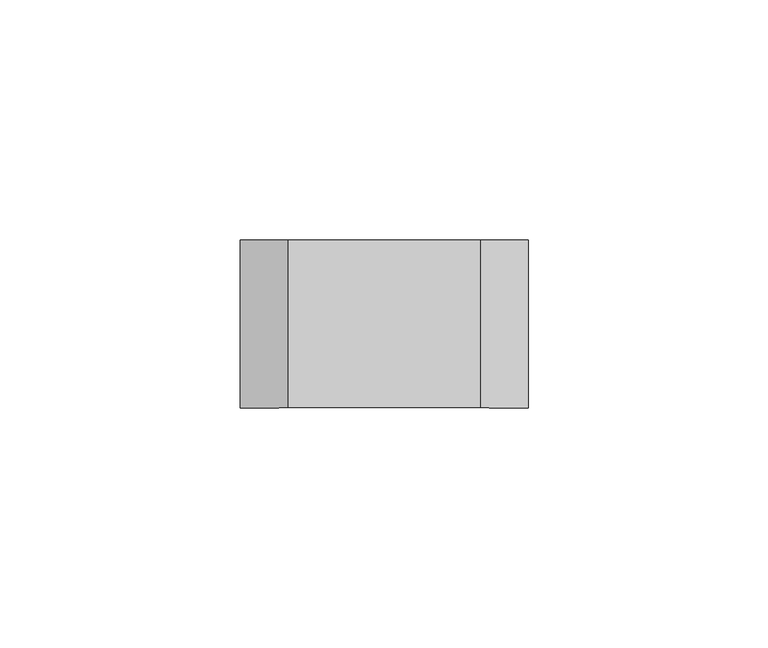
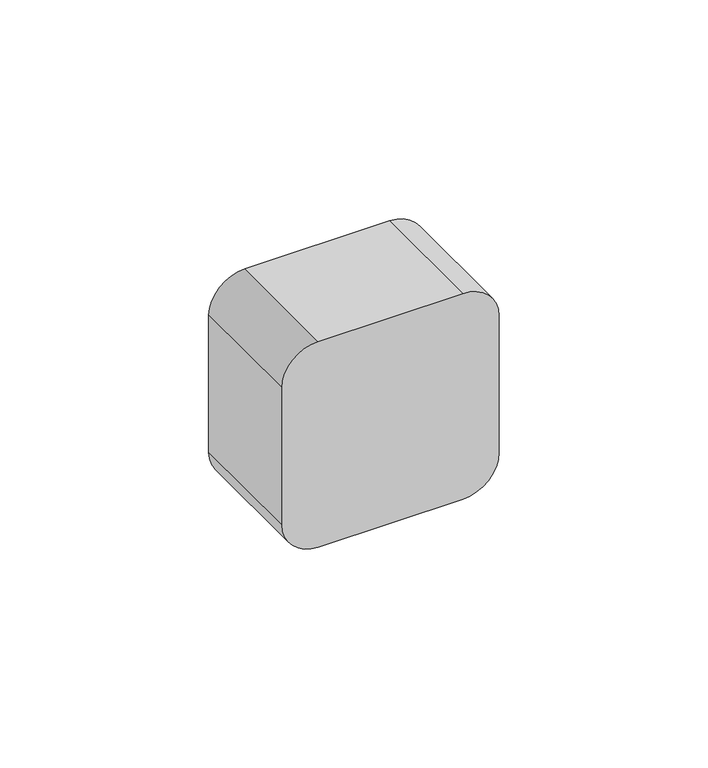
"""IFC4 building model written with IfcOpenShell, lengths in millimetres: proxy geometry."""

from ifc_helpers import new_model, si_unit, frame, origin, place, context, project, spatial, polyline, circle_curve, source, transform, mapped, element, save
from ifc_brep_helpers import plane_surface, cylinder_surface, revolved_surface, advanced_brep


def electrical_fixtures_3f245eab(model_context):
    return source(origin(), model_context, "Body", "AdvancedBrep", [
        advanced_brep(
        [(105.0, 35.0, 210.0), (145.0, 35.0, 210.0), (155.0, 35.0, 200.0), (155.0, 35.0, 160.0), (145.0, 35.0, 150.0), (105.0, 35.0, 150.0), (95.0, 35.0, 160.0), (95.0, 35.0, 200.0), (125.0, 35.0, 199.0), (125.0, 35.0, 161.0), (105.0, 0.0, 210.0), (95.0, 0.0, 200.0), (95.0, 0.0, 160.0), (105.0, 0.0, 150.0), (145.0, 0.0, 150.0), (155.0, 0.0, 160.0), (155.0, 0.0, 200.0), (145.0, 0.0, 210.0), (125.0, 23.0, 199.0), (125.0, 23.0, 161.0), (133.8542367, 23.0, 182.0), (133.8542367, 23.0, 178.0), (116.1457633, 23.0, 182.0), (116.1457633, 23.0, 178.0), (133.8542367, 15.0, 182.0), (133.8542367, 15.0, 178.0), (116.1457633, 15.0, 182.0), (116.1457633, 15.0, 178.0)],
        [
            (0, 1),
            (1, 2, circle_curve(frame((145.0, 35.0, 200.0), z_axis=(0.0, 1.0, 0.0), x_axis=(-1.0, 0.0, 0.0)), 10.0)),
            (2, 3),
            (3, 4, circle_curve(frame((145.0, 35.0, 160.0), z_axis=(0.0, 1.0, 0.0), x_axis=(-1.0, 0.0, 0.0)), 10.0)),
            (4, 5),
            (5, 6, circle_curve(frame((105.0, 35.0, 160.0), z_axis=(0.0, 1.0, 0.0), x_axis=(-1.0, 0.0, 0.0)), 10.0)),
            (6, 7),
            (7, 0, circle_curve(frame((105.0, 35.0, 200.0), z_axis=(0.0, 1.0, 0.0), x_axis=(-1.0, 0.0, 0.0)), 10.0)),
            (8, 9, circle_curve(frame((125.0, 35.0, 180.0), z_axis=(0.0, -1.0, 0.0), x_axis=(0.0, 0.0, -1.0)), 19.0)),
            (9, 8, circle_curve(frame((125.0, 35.0, 180.0), z_axis=(0.0, -1.0, 0.0), x_axis=(0.0, 0.0, -1.0)), 19.0)),
            (10, 11, circle_curve(frame((105.0, 0.0, 200.0), z_axis=(0.0, -1.0, 0.0), x_axis=(-1.0, 0.0, 0.0)), 10.0)),
            (11, 12),
            (12, 13, circle_curve(frame((105.0, 0.0, 160.0), z_axis=(0.0, -1.0, 0.0), x_axis=(-1.0, 0.0, 0.0)), 10.0)),
            (13, 14),
            (14, 15, circle_curve(frame((145.0, 0.0, 160.0), z_axis=(0.0, -1.0, 0.0), x_axis=(-1.0, 0.0, 0.0)), 10.0)),
            (15, 16),
            (16, 17, circle_curve(frame((145.0, 0.0, 200.0), z_axis=(0.0, -1.0, 0.0), x_axis=(-1.0, 0.0, 0.0)), 10.0)),
            (17, 10),
            (0, 10),
            (17, 1),
            (2, 16),
            (15, 3),
            (4, 14),
            (13, 5),
            (6, 12),
            (11, 7),
            (18, 19, circle_curve(frame((125.0, 23.0, 180.0), z_axis=(0.0, 1.0, 0.0), x_axis=(0.0, 0.0, -1.0)), 19.0)),
            (19, 18, circle_curve(frame((125.0, 23.0, 180.0), z_axis=(0.0, 1.0, 0.0), x_axis=(0.0, 0.0, -1.0)), 19.0)),
            (20, 21, circle_curve(frame((133.8542367, 23.0, 180.0), z_axis=(0.0, -1.0, 0.0), x_axis=(0.0, 0.0, -1.0)), 2.0)),
            (21, 20, circle_curve(frame((133.8542367, 23.0, 180.0), z_axis=(0.0, -1.0, 0.0), x_axis=(0.0, 0.0, -1.0)), 2.0)),
            (22, 23, circle_curve(frame((116.1457633, 23.0, 180.0), z_axis=(0.0, -1.0, 0.0), x_axis=(0.0, 0.0, -1.0)), 2.0)),
            (23, 22, circle_curve(frame((116.1457633, 23.0, 180.0), z_axis=(0.0, -1.0, 0.0), x_axis=(0.0, 0.0, -1.0)), 2.0)),
            (19, 9),
            (8, 18),
            (24, 25, circle_curve(frame((133.8542367, 15.0, 180.0), z_axis=(0.0, 1.0, 0.0), x_axis=(0.0, 0.0, -1.0)), 2.0)),
            (25, 24, circle_curve(frame((133.8542367, 15.0, 180.0), z_axis=(0.0, 1.0, 0.0), x_axis=(0.0, 0.0, -1.0)), 2.0)),
            (26, 27, circle_curve(frame((116.1457633, 15.0, 180.0), z_axis=(0.0, 1.0, 0.0), x_axis=(0.0, 0.0, -1.0)), 2.0)),
            (27, 26, circle_curve(frame((116.1457633, 15.0, 180.0), z_axis=(0.0, 1.0, 0.0), x_axis=(0.0, 0.0, -1.0)), 2.0)),
            (25, 21),
            (20, 24),
            (27, 23),
            (22, 26),
        ],
        [
            plane_surface(frame((145.0, 35.0, 210.0), z_axis=(0.0, 1.0, 0.0), x_axis=(1.0, 0.0, 0.0))),
            plane_surface(frame((145.0, 0.0, 210.0), z_axis=(0.0, -1.0, 0.0), x_axis=(-1.0, 0.0, 0.0))),
            plane_surface(frame((105.0, 35.0, 210.0), z_axis=(0.0, 0.0, 1.0), x_axis=(0.0, -1.0, 0.0))),
            plane_surface(frame((155.0, 35.0, 200.0), z_axis=(1.0, 0.0, 0.0), x_axis=(0.0, -1.0, 0.0))),
            plane_surface(frame((145.0, 35.0, 150.0), z_axis=(0.0, 0.0, -1.0), x_axis=(0.0, -1.0, 0.0))),
            plane_surface(frame((95.0, 35.0, 160.0), z_axis=(-1.0, 0.0, 0.0), x_axis=(0.0, -1.0, 0.0))),
            plane_surface(frame((125.0, 23.0, 161.0), z_axis=(0.0, 1.0, 0.0), x_axis=(1.0, 0.0, 0.0))),
            revolved_surface(polyline([(125.0, 23.0, 161.0), (125.0, 35.0, 161.0)]), (125.0, 35.0, 180.0), (0.0, -1.0, 0.0)),
            plane_surface(frame((133.8542367, 15.0, 178.0), z_axis=(0.0, 1.0, 0.0), x_axis=(1.0, 0.0, 0.0))),
            revolved_surface(polyline([(133.8542367, 15.0, 178.0), (133.8542367, 23.0, 178.0)]), (133.8542367, 23.0, 180.0), (0.0, -1.0, 0.0)),
            revolved_surface(polyline([(116.1457633, 15.0, 178.0), (116.1457633, 23.0, 178.0)]), (116.1457633, 35.0, 180.0), (0.0, -1.0, 0.0)),
            cylinder_surface(frame((145.0, 0.0, 200.0), z_axis=(0.0, 1.0, 0.0), x_axis=(-1.0, 0.0, 0.0)), 10.0),
            cylinder_surface(frame((145.0, 0.0, 160.0), z_axis=(0.0, 1.0, 0.0), x_axis=(-1.0, 0.0, 0.0)), 10.0),
            cylinder_surface(frame((105.0, 0.0, 160.0), z_axis=(0.0, 1.0, 0.0), x_axis=(-1.0, 0.0, 0.0)), 10.0),
            cylinder_surface(frame((105.0, 0.0, 200.0), z_axis=(0.0, 1.0, 0.0), x_axis=(-1.0, 0.0, 0.0)), 10.0),
        ],
        [
            (0, [[1, 2, 3, 4, 5, 6, 7, 8], [9, 10]]),
            (1, [[11, 12, 13, 14, 15, 16, 17, 18]]),
            (2, [[-1, 19, -18, 20]]),
            (3, [[-3, 21, -16, 22]]),
            (4, [[-5, 23, -14, 24]]),
            (5, [[-7, 25, -12, 26]]),
            (6, [[27, 28], [29, 30], [31, 32]]),
            (7, [[-28, 33, -9, 34]]),
            (7, [[-27, -34, -10, -33]]),
            (8, [[35, 36]]),
            (8, [[37, 38]]),
            (9, [[-36, 39, -29, 40]]),
            (9, [[-35, -40, -30, -39]]),
            (10, [[-38, 41, -31, 42]]),
            (10, [[-37, -42, -32, -41]]),
            (11, [[-2, -20, -17, -21]]),
            (12, [[-4, -22, -15, -23]]),
            (13, [[-6, -24, -13, -25]]),
            (14, [[-8, -26, -11, -19]]),
        ],
    ),
    ])


if __name__ == "__main__":
    model = new_model("IFC4")
    model_context = context("Model", 3, world=origin())
    ifc_project = project(units=[si_unit("LENGTHUNIT", "METRE", prefix="MILLI")], contexts=[model_context])
    site = spatial("IfcSite", under=ifc_project)
    building = spatial("IfcBuilding", under=site)
    placement = place(None, origin())
    electrical_fixtures_shape = electrical_fixtures_3f245eab(model_context)
    element("IfcBuildingElementProxy", 1, Name="Electrical Fixtures", at=placement, inside=building, context=model_context, shape_type="MappedRepresentation", body=[
        mapped(electrical_fixtures_shape, transform((0.0, 0.0, 0.0), x_axis=(1.0, 0.0, 0.0), y_axis=(0.0, 1.0, 0.0), z_axis=(0.0, 0.0, 1.0))),
    ])
    save(model, "model.ifc")
